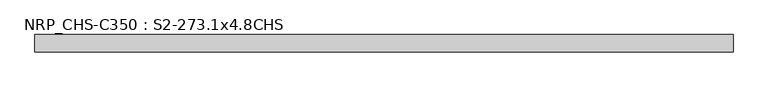
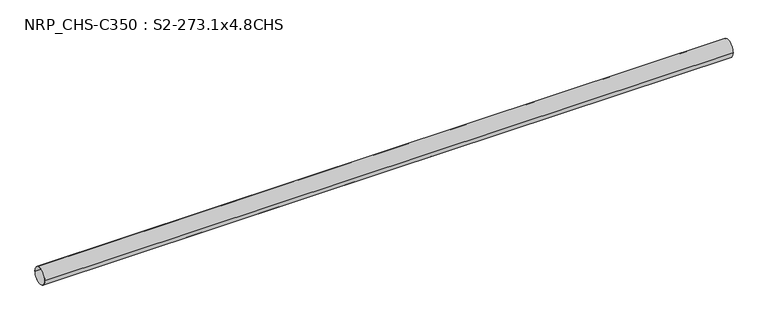
"""IFC4 building model written with IfcOpenShell, lengths in millimetres: beam geometry, NRP_CHS-C350 : S2-273.1x4.8CHS."""

from ifc_helpers import new_model, si_unit, point, frame, origin, origin_2d, place, context, project, spatial, circle_curve, trimmed, segment, composite_curve, outline, extrude, source, transform, mapped, element, save


def nrp_chs_c350_s2_273_1x4_8chs_eed4e166(model_context):
    return source(origin(), model_context, "Body", "SweptSolid", [
        extrude(outline(composite_curve([segment(trimmed(circle_curve(origin_2d(), 136.55), [point((-136.55, 0.0))], [point((136.55, 0.0))], False, "CARTESIAN"), True, "CONTINUOUS"), segment(trimmed(circle_curve(origin_2d(), 136.55), [point((136.55, 0.0))], [point((-136.55, 0.0))], False, "CARTESIAN"), True, "CONTINUOUS")], self_intersect=False), holes=[composite_curve([segment(trimmed(circle_curve(origin_2d(), 131.75), [point((131.75, 0.0))], [point((-131.75, 0.0))], True, "CARTESIAN"), True, "CONTINUOUS"), segment(trimmed(circle_curve(origin_2d(), 131.75), [point((-131.75, 0.0))], [point((131.75, 0.0))], True, "CARTESIAN"), True, "CONTINUOUS")], self_intersect=False)]), frame((-5523.3, 0.0, 0.0), z_axis=(1.0, 0.0, 0.0), x_axis=(0.0, 1.0, 0.0)), (0.0, 0.0, 1.0), 11035.6),
    ])


if __name__ == "__main__":
    model = new_model("IFC4")
    model_context = context("Model", 3, world=origin())
    ifc_project = project(units=[si_unit("LENGTHUNIT", "METRE", prefix="MILLI")], contexts=[model_context])
    site = spatial("IfcSite", under=ifc_project)
    building = spatial("IfcBuilding", under=site)
    placement = place(None, origin())
    nrp_chs_c350_s2_273_1x4_8chs_shape = nrp_chs_c350_s2_273_1x4_8chs_eed4e166(model_context)
    element("IfcBeam", 1, ObjectType="NRP_CHS-C350 : S2-273.1x4.8CHS", at=placement, inside=building, context=model_context, shape_type="MappedRepresentation", body=[
        mapped(nrp_chs_c350_s2_273_1x4_8chs_shape, transform((0.0, 0.0, 0.0), x_axis=(1.0, 0.0, 0.0), y_axis=(0.0, 1.0, 0.0), z_axis=(0.0, 0.0, 1.0))),
    ])
    save(model, "model.ifc")
